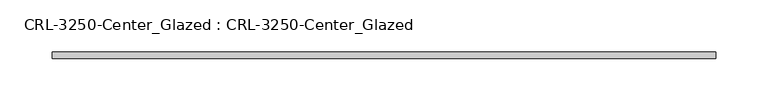
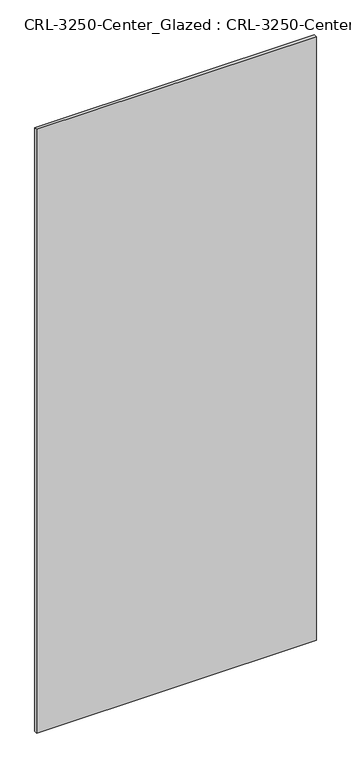
"""IFC4 building model written with IfcOpenShell, lengths in millimetres: plate geometry, CRL-3250-Center_Glazed : CRL-3250-Center_Glazed."""

from ifc_helpers import new_model, si_unit, origin, origin_with_axes, place, context, project, spatial, polyline, outline, extrude, source, transform, mapped, element, save


def crl_3250_center_glazed_crl_3250_center_glazed_be1f052a(model_context):
    return source(origin(), model_context, "Body", "SweptSolid", [
        extrude(outline(polyline([(317.5000015, -3.1749999), (-317.5000015, -3.1749999), (-317.5000015, 3.1749999), (317.5000015, 3.1749999), (317.5000015, -3.1749999)])), origin_with_axes(), (0.0, 0.0, 1.0), 1447.800003),
    ])


if __name__ == "__main__":
    model = new_model("IFC4")
    model_context = context("Model", 3, world=origin())
    ifc_project = project(units=[si_unit("LENGTHUNIT", "METRE", prefix="MILLI")], contexts=[model_context])
    site = spatial("IfcSite", under=ifc_project)
    building = spatial("IfcBuilding", under=site)
    placement = place(None, origin())
    crl_3250_center_glazed_crl_3250_center_glazed_shape = crl_3250_center_glazed_crl_3250_center_glazed_be1f052a(model_context)
    element("IfcPlate", 1, ObjectType="CRL-3250-Center_Glazed : CRL-3250-Center_Glazed", at=placement, inside=building, context=model_context, shape_type="MappedRepresentation", body=[
        mapped(crl_3250_center_glazed_crl_3250_center_glazed_shape, transform((0.0, 0.0, 0.0), x_axis=(1.0, 0.0, 0.0), y_axis=(0.0, 1.0, 0.0), z_axis=(0.0, 0.0, 1.0))),
    ])
    save(model, "model.ifc")
